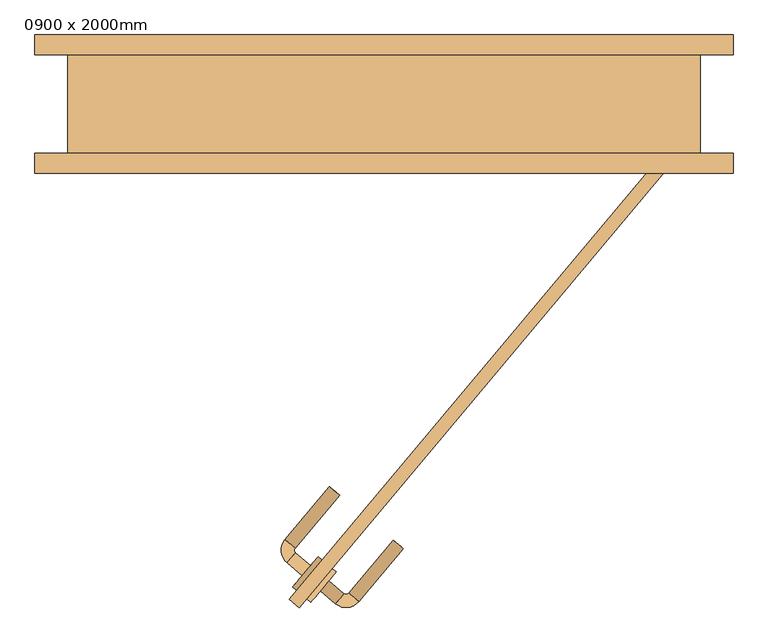
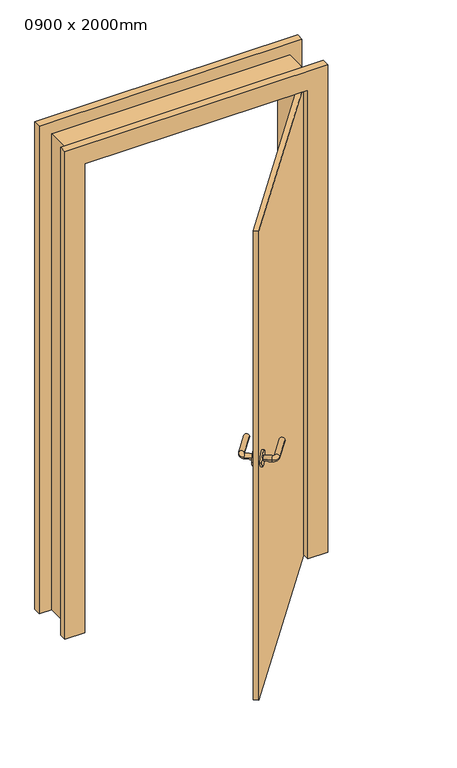
"""IFC4 building model written with IfcOpenShell, lengths in millimetres: door geometry, 0900 x 2000mm."""

from ifc_helpers import new_model, si_unit, point, frame, frame_2d, origin, place, context, project, spatial, circle_curve, ellipse_curve, trimmed, segment, composite_curve, outline, extrude, faceted_brep, source, transform, mapped, element, save
from ifc_brep_helpers import plane_surface, cylinder_surface, revolved_surface, advanced_brep


def door_0900_x_2000mm_c71674ac(model_context):
    return source(origin(), model_context, "Body", "SolidModel", [
        advanced_brep(
        [(-124.2465887, -715.800168, 1000.0), (-111.3908365, -700.4792791, 1000.0), (-147.227922, -696.5165397, 1000.0), (-134.3721698, -681.1956509, 1000.0), (-134.988454, -674.1514906, 1000.0), (-150.3093429, -661.2957384, 1000.0), (-82.8166439, -580.8610719, 1000.0), (-67.495755, -593.7168241, 1000.0)],
        [
            (0, 1, circle_curve(frame((-117.8187126, -708.1397236, 1000.0), z_axis=(0.7660444431189731, -0.6427876096865451, 0.0), x_axis=(0.6427876096865442, 0.7660444431189721, 0.0)), 10.0)),
            (1, 0, circle_curve(frame((-117.8187126, -708.1397236, 1000.0), z_axis=(0.7660444431189731, -0.6427876096865451, 0.0), x_axis=(0.6427876096865442, 0.7660444431189721, 0.0)), 10.0)),
            (0, 2),
            (2, 3, circle_curve(frame((-140.8000459, -688.8560953, 1000.0), z_axis=(0.7660444431189731, -0.6427876096865451, 0.0), x_axis=(0.6427876096865442, 0.7660444431189721, 0.0)), 10.0)),
            (3, 1),
            (3, 2, circle_curve(frame((-140.8000459, -688.8560953, 1000.0), z_axis=(0.7660444431189731, -0.6427876096865451, 0.0), x_axis=(0.6427876096865442, 0.7660444431189721, 0.0)), 10.0)),
            (4, 3, circle_curve(frame((-131.1582318, -677.3654286, 1000.0), z_axis=(0.0, 0.0, 1.0), x_axis=(-0.6427876096865442, -0.7660444431189721, 0.0)), 5.0)),
            (2, 5, circle_curve(frame((-131.1582318, -677.3654286, 1000.0), z_axis=(0.0, 0.0, -1.0), x_axis=(-0.6427876096865442, -0.7660444431189721, 0.0)), 25.0)),
            (5, 4, circle_curve(frame((-142.6488984, -667.7236145, 1000.0), z_axis=(-0.6427876096865424, -0.7660444431189737, 0.0), x_axis=(0.7660444431189737, -0.6427876096865424, 0.0)), 10.0)),
            (4, 5, circle_curve(frame((-142.6488984, -667.7236145, 1000.0), z_axis=(-0.6427876096865395, -0.7660444431189761, 0.0), x_axis=(0.7660444431189761, -0.6427876096865395, 0.0)), 10.0)),
            (6, 7, circle_curve(frame((-75.1561994, -587.288948, 1000.0), z_axis=(0.6427876096865451, 0.7660444431189731, 0.0), x_axis=(0.7660444431189721, -0.6427876096865442, 0.0)), 10.0)),
            (7, 6, circle_curve(frame((-75.1561994, -587.288948, 1000.0), z_axis=(0.6427876096865451, 0.7660444431189731, 0.0), x_axis=(0.7660444431189721, -0.6427876096865442, 0.0)), 10.0)),
            (5, 6),
            (7, 4),
        ],
        [
            plane_surface(frame((-117.8187126, -708.1397236, 1000.0), z_axis=(0.7660444431189732, -0.6427876096865452, 0.0), x_axis=(0.0, 0.0, 1.0))),
            cylinder_surface(frame((-117.8187126, -708.1397236, 1000.0), z_axis=(0.7660444431189721, -0.6427876096865442, 0.0), x_axis=(0.6427876096865442, 0.7660444431189721, 0.0)), 10.0),
            revolved_surface(trimmed(ellipse_curve(frame((-140.8000459, -688.8560953, 1000.0), z_axis=(0.7660444431189721, -0.6427876096865442, 0.0), x_axis=(0.6427876096865442, 0.7660444431189721, 0.0)), 10.0, 10.0), [point((-147.227922, -696.5165397, 1000.0))], [point((-134.3721698, -681.1956509, 1000.0))], True, "CARTESIAN"), (-131.1582318, -677.3654286, 1000.0), (0.0, 0.0, -1.0)),
            revolved_surface(trimmed(ellipse_curve(frame((-140.8000459, -688.8560953, 1000.0), z_axis=(0.7660444431189721, -0.6427876096865442, 0.0), x_axis=(0.6427876096865442, 0.7660444431189721, 0.0)), 10.0, 10.0), [point((-134.3721698, -681.1956509, 1000.0))], [point((-147.227922, -696.5165397, 1000.0))], True, "CARTESIAN"), (-131.1582318, -677.3654286, 1000.0), (0.0, 0.0, -1.0)),
            plane_surface(frame((-75.1561994, -587.288948, 1000.0), z_axis=(0.6427876096865452, 0.7660444431189732, 0.0), x_axis=(0.0, 0.0, 1.0))),
            cylinder_surface(frame((-142.6488984, -667.7236145, 1000.0), z_axis=(-0.6427876096865442, -0.7660444431189721, 0.0), x_axis=(0.7660444431189721, -0.6427876096865442, 0.0)), 10.0),
        ],
        [
            (0, [[1, 2]]),
            (1, [[-1, 3, 4, 5]]),
            (1, [[-2, -5, 6, -3]]),
            (2, [[7, -4, 8, 9]]),
            (3, [[-8, -6, -7, 10]]),
            (4, [[11, 12]]),
            (5, [[-9, 13, -12, 14]]),
            (5, [[-10, -14, -11, -13]]),
        ],
    ),
        extrude(outline(composite_curve([segment(trimmed(circle_curve(frame_2d((0.0, -30.0)), 30.0), [point((0.0, -60.0))], [point((0.0, 0.0))], False, "CARTESIAN"), True, "CONTINUOUS"), segment(trimmed(circle_curve(frame_2d((0.0, -30.0)), 30.0), [point((0.0, 0.0))], [point((0.0, -60.0))], False, "CARTESIAN"), True, "CONTINUOUS")], self_intersect=False)), frame((-94.0136978, -692.2158023, 1000.0), z_axis=(-0.7660444431189732, 0.6427876096865452, 0.0), x_axis=(0.0, 0.0, 1.0)), (0.0, 0.0, 1.0), 8.0),
        advanced_brep(
        [(-96.6689888, -738.940522, 1000.0), (-83.8132366, -723.6196331, 1000.0), (-60.8319033, -742.9032614, 1000.0), (-73.6876555, -758.2241503, 1000.0), (-53.787743, -742.2869772, 1000.0), (-38.4668542, -755.1427294, 1000.0), (29.0258448, -674.7080629, 1000.0), (13.704956, -661.8523107, 1000.0)],
        [
            (0, 1, circle_curve(frame((-90.2411127, -731.2800775, 1000.0), z_axis=(-0.766044443118973, 0.6427876096865454, 0.0), x_axis=(0.6427876096865448, 0.7660444431189724, 0.0)), 10.0)),
            (1, 0, circle_curve(frame((-90.2411127, -731.2800775, 1000.0), z_axis=(-0.766044443118973, 0.6427876096865454, 0.0), x_axis=(0.6427876096865448, 0.7660444431189724, 0.0)), 10.0)),
            (1, 2),
            (2, 3, circle_curve(frame((-67.2597794, -750.5637058, 1000.0), z_axis=(-0.766044443118973, 0.6427876096865454, 0.0), x_axis=(0.6427876096865448, 0.7660444431189724, 0.0)), 10.0)),
            (3, 0),
            (3, 2, circle_curve(frame((-67.2597794, -750.5637058, 1000.0), z_axis=(-0.766044443118973, 0.6427876096865454, 0.0), x_axis=(0.6427876096865448, 0.7660444431189724, 0.0)), 10.0)),
            (4, 5, circle_curve(frame((-46.1272986, -748.7148533, 1000.0), z_axis=(-0.6427876096865474, -0.7660444431189701, 0.0), x_axis=(-0.7660444431189701, 0.6427876096865474, 0.0)), 10.0)),
            (5, 3, circle_curve(frame((-57.6179652, -739.0730392, 1000.0), z_axis=(0.0, 0.0, -1.0), x_axis=(-0.6427876096865448, -0.7660444431189724, 0.0)), 25.0)),
            (2, 4, circle_curve(frame((-57.6179652, -739.0730392, 1000.0), z_axis=(0.0, 0.0, 1.0), x_axis=(-0.6427876096865448, -0.7660444431189724, 0.0)), 5.0)),
            (5, 4, circle_curve(frame((-46.1272986, -748.7148533, 1000.0), z_axis=(-0.6427876096865469, -0.7660444431189706, 0.0), x_axis=(-0.7660444431189706, 0.6427876096865469, 0.0)), 10.0)),
            (6, 7, circle_curve(frame((21.3654004, -668.2801868, 1000.0), z_axis=(0.6427876096865454, 0.766044443118973, 0.0), x_axis=(-0.7660444431189724, 0.6427876096865448, 0.0)), 10.0)),
            (7, 6, circle_curve(frame((21.3654004, -668.2801868, 1000.0), z_axis=(0.6427876096865454, 0.766044443118973, 0.0), x_axis=(-0.7660444431189724, 0.6427876096865448, 0.0)), 10.0)),
            (4, 7),
            (6, 5),
        ],
        [
            plane_surface(frame((-90.2411127, -731.2800775, 1000.0), z_axis=(-0.766044443118973, 0.6427876096865454, 0.0), x_axis=(0.0, 0.0, 1.0))),
            cylinder_surface(frame((-90.2411127, -731.2800775, 1000.0), z_axis=(-0.7660444431189724, 0.6427876096865448, 0.0), x_axis=(0.6427876096865448, 0.7660444431189724, 0.0)), 10.0),
            revolved_surface(trimmed(ellipse_curve(frame((-67.2597794, -750.5637058, 1000.0), z_axis=(0.7660444431189724, -0.6427876096865448, 0.0), x_axis=(0.6427876096865448, 0.7660444431189724, 0.0)), 10.0, 10.0), [point((-73.6876555, -758.2241503, 1000.0))], [point((-60.8319033, -742.9032614, 1000.0))], True, "CARTESIAN"), (-57.6179652, -739.0730392, 1000.0), (0.0, 0.0, -1.0)),
            revolved_surface(trimmed(ellipse_curve(frame((-67.2597794, -750.5637058, 1000.0), z_axis=(0.7660444431189724, -0.6427876096865448, 0.0), x_axis=(0.6427876096865448, 0.7660444431189724, 0.0)), 10.0, 10.0), [point((-60.8319033, -742.9032614, 1000.0))], [point((-73.6876555, -758.2241503, 1000.0))], True, "CARTESIAN"), (-57.6179652, -739.0730392, 1000.0), (0.0, 0.0, -1.0)),
            plane_surface(frame((21.3654004, -668.2801868, 1000.0), z_axis=(0.6427876096865454, 0.766044443118973, 0.0), x_axis=(0.0, 0.0, 1.0))),
            cylinder_surface(frame((-46.1272986, -748.7148533, 1000.0), z_axis=(-0.6427876096865448, -0.7660444431189724, 0.0), x_axis=(-0.7660444431189724, 0.6427876096865448, 0.0)), 10.0),
        ],
        [
            (0, [[1, 2]]),
            (1, [[3, 4, 5, -2]]),
            (1, [[-5, 6, -3, -1]]),
            (2, [[7, 8, -4, 9]]),
            (3, [[10, -9, -6, -8]]),
            (4, [[11, 12]]),
            (5, [[13, -11, 14, -7]]),
            (5, [[-14, -12, -13, -10]]),
        ],
    ),
        extrude(outline(composite_curve([segment(trimmed(circle_curve(frame_2d((0.0, 30.0)), 30.0), [point((0.0, 60.0))], [point((0.0, 0.0))], False, "CARTESIAN"), True, "CONTINUOUS"), segment(trimmed(circle_curve(frame_2d((0.0, 30.0)), 30.0), [point((0.0, 0.0))], [point((0.0, 60.0))], False, "CARTESIAN"), True, "CONTINUOUS")], self_intersect=False)), frame((-72.5644534, -710.2138553, 1000.0), z_axis=(-0.766044443118973, 0.6427876096865454, 0.0), x_axis=(0.0, 0.0, -1.0)), (0.0, 0.0, 1.0), 8.0),
        faceted_brep([(-480.0, -75.0, 0.0), (-480.0, 75.0, 0.0), (-530.0, 75.0, 0.0), (-530.0, 105.0, 0.0), (-450.0, 105.0, 0.0), (-450.0, -105.0, 0.0), (-530.0, -105.0, 0.0), (-530.0, -75.0, 0.0), (-530.0, -75.0, 2080.0), (530.0, -75.0, 2080.0), (530.0, -75.0, 0.0), (480.0, -75.0, 0.0), (480.0, -75.0, 2030.0), (-480.0, -75.0, 2030.0), (-530.0, -105.0, 2080.0), (-450.0, -105.0, 2000.0), (450.0, -105.0, 2000.0), (450.0, -105.0, 0.0), (530.0, -105.0, 0.0), (530.0, -105.0, 2080.0), (-450.0, 105.0, 2000.0), (-530.0, 105.0, 2080.0), (530.0, 105.0, 2080.0), (530.0, 105.0, 0.0), (450.0, 105.0, 0.0), (450.0, 105.0, 2000.0), (-530.0, 75.0, 2080.0), (-480.0, 75.0, 2030.0), (480.0, 75.0, 2030.0), (480.0, 75.0, 0.0), (530.0, 75.0, 0.0), (530.0, 75.0, 2080.0)], [[[0, 1, 2, 3, 4, 5, 6, 7]], [[7, 8, 9, 10, 11, 12, 13, 0]], [[6, 14, 8, 7]], [[5, 15, 16, 17, 18, 19, 14, 6]], [[4, 20, 15, 5]], [[3, 21, 22, 23, 24, 25, 20, 4]], [[2, 26, 21, 3]], [[1, 27, 28, 29, 30, 31, 26, 2]], [[0, 13, 27, 1]], [[12, 11, 29, 28]], [[11, 10, 18, 17, 24, 23, 30, 29]], [[19, 18, 10, 9]], [[25, 24, 17, 16]], [[31, 30, 23, 22]], [[14, 19, 9, 8]], [[20, 25, 16, 15]], [[26, 31, 22, 21]], [[13, 12, 28, 27]]]),
        faceted_brep([(-128.5088487, -764.4399988, 0.0), (-143.8297376, -751.5842466, 0.0), (434.6791111, -62.1442478, 0.0), (450.0, -75.0, 0.0), (-128.5088487, -764.4399988, 2000.0), (450.0, -75.0, 2000.0), (434.6791111, -62.1442478, 2000.0), (-143.8297376, -751.5842466, 2000.0), (423.8918542, -75.0, 2000.0)], [[[0, 1, 2, 3]], [[4, 0, 3, 5]], [[5, 3, 2, 6]], [[1, 7, 8, 6, 2]], [[7, 1, 0, 4]], [[4, 5, 6, 8, 7]]]),
    ])


if __name__ == "__main__":
    model = new_model("IFC4")
    model_context = context("Model", 3, world=origin())
    ifc_project = project(units=[si_unit("LENGTHUNIT", "METRE", prefix="MILLI")], contexts=[model_context])
    site = spatial("IfcSite", under=ifc_project)
    building = spatial("IfcBuilding", under=site)
    placement = place(None, origin())
    door_0900_x_2000mm_shape = door_0900_x_2000mm_c71674ac(model_context)
    element("IfcDoor", 1, ObjectType="0900 x 2000mm", at=placement, inside=building, context=model_context, shape_type="MappedRepresentation", body=[
        mapped(door_0900_x_2000mm_shape, transform((0.0, 0.0, 0.0), x_axis=(1.0, 0.0, 0.0), y_axis=(0.0, 1.0, 0.0), z_axis=(0.0, 0.0, 1.0))),
    ])
    save(model, "model.ifc")
